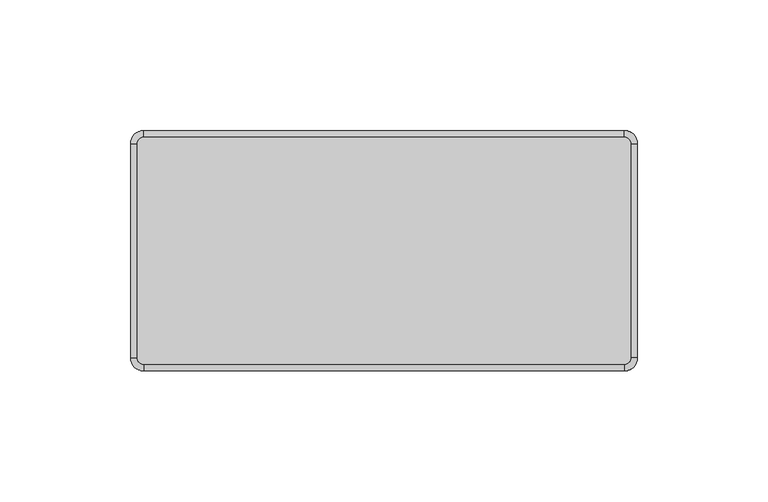
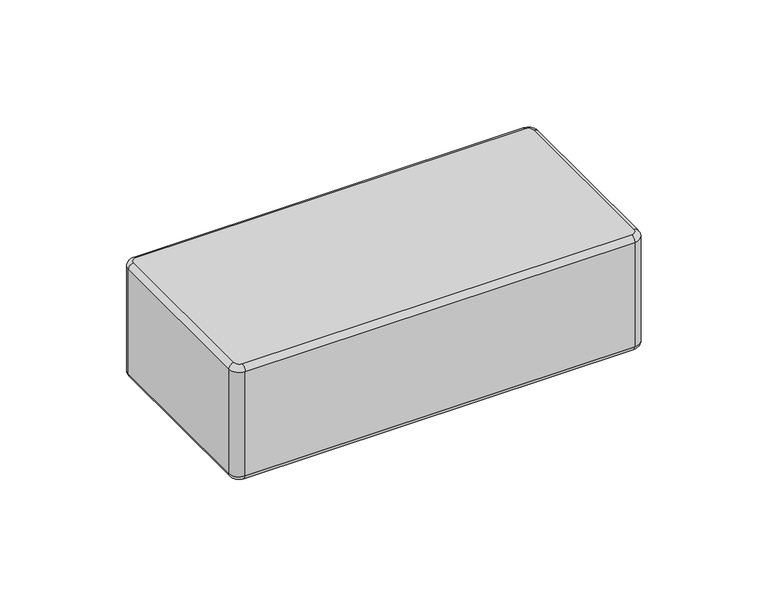
"""IFC4 building model written with IfcOpenShell, lengths in millimetres: plate geometry."""

from ifc_helpers import new_model, si_unit, point, frame, origin, place, context, project, spatial, circle_curve, ellipse_curve, trimmed, source, transform, mapped, element, save
from ifc_brep_helpers import plane_surface, cylinder_surface, revolved_surface, advanced_brep


def plate_8862c1e6(model_context):
    return source(origin(), model_context, "Body", "AdvancedBrep", [
        advanced_brep(
        [(141.49375, 41.0, 57.0), (138.99375, 43.5, 57.0), (-45.00625, 43.5, 57.0), (-47.50625, 41.0, 57.0), (-47.50625, -41.0, 57.0), (-45.00625, -43.5, 57.0), (138.99375, -43.5, 57.0), (141.49375, -41.0, 57.0), (-47.50625, 41.0, 0.0), (-45.00625, 43.5, 0.0), (138.99375, 43.5, 0.0), (141.49375, 41.0, 0.0), (141.49375, -41.0, 0.0), (138.99375, -43.5, 0.0), (-45.00625, -43.5, 0.0), (-47.50625, -41.0, 0.0), (-45.00625, -46.0, 2.5), (138.99375, -46.0, 2.5), (138.99375, -46.0, 54.5), (-45.00625, -46.0, 54.5), (143.99375, -41.0, 2.5), (143.99375, 41.0, 2.5), (143.99375, 41.0, 54.5000019), (143.99375, -41.0, 54.5), (138.99375, 46.0, 2.5), (-45.00625, 46.0, 2.5), (-45.00625, 46.0, 54.5), (138.99375, 46.0, 54.5), (-50.00625, 41.0, 2.5), (-50.00625, -41.0, 2.5), (-50.00625, -41.0, 54.5), (-50.00625, 41.0, 54.5)],
        [
            (0, 1, circle_curve(frame((138.99375, 41.0, 57.0), z_axis=(0.0, 0.0, 1.0), x_axis=(1.0, 0.0, 0.0)), 2.5)),
            (1, 2),
            (2, 3, circle_curve(frame((-45.00625, 41.0, 57.0), z_axis=(0.0, 0.0, 1.0), x_axis=(0.0, 1.0, 0.0)), 2.5)),
            (3, 4),
            (4, 5, circle_curve(frame((-45.00625, -41.0, 57.0), z_axis=(0.0, 0.0, 1.0), x_axis=(-1.0, 0.0, 0.0)), 2.5)),
            (5, 6),
            (6, 7, circle_curve(frame((138.99375, -41.0, 57.0), z_axis=(0.0, 0.0, 1.0), x_axis=(0.0, -1.0, 0.0)), 2.5)),
            (7, 0),
            (8, 9, circle_curve(frame((-45.00625, 41.0, 0.0), z_axis=(0.0, 0.0, -1.0), x_axis=(-1.0, 0.0, 0.0)), 2.5)),
            (9, 10),
            (10, 11, circle_curve(frame((138.99375, 41.0, 0.0), z_axis=(0.0, 0.0, -1.0), x_axis=(0.0, 1.0, 0.0)), 2.5)),
            (11, 12),
            (12, 13, circle_curve(frame((138.99375, -41.0, 0.0), z_axis=(0.0, 0.0, -1.0), x_axis=(1.0, 0.0, 0.0)), 2.5)),
            (13, 14),
            (14, 15, circle_curve(frame((-45.00625, -41.0, 0.0), z_axis=(0.0, 0.0, -1.0), x_axis=(0.0, -1.0, 0.0)), 2.5)),
            (15, 8),
            (16, 17),
            (17, 18),
            (18, 19),
            (19, 16),
            (20, 21),
            (21, 22),
            (22, 23),
            (23, 20),
            (24, 25),
            (25, 26),
            (26, 27),
            (27, 24),
            (28, 29),
            (29, 30),
            (30, 31),
            (31, 28),
            (29, 16, circle_curve(frame((-45.00625, -41.0, 2.5), z_axis=(0.0, 0.0, 1.0), x_axis=(1.0, 0.0, 0.0)), 5.0)),
            (19, 30, circle_curve(frame((-45.00625, -41.0, 54.5), z_axis=(0.0, 0.0, -1.0), x_axis=(1.0, 0.0, 0.0)), 5.0)),
            (17, 20, circle_curve(frame((138.99375, -41.0, 2.5), z_axis=(0.0, 0.0, 1.0), x_axis=(1.0, 0.0, 0.0)), 5.0)),
            (23, 18, circle_curve(frame((138.99375, -41.0, 54.5), z_axis=(0.0, 0.0, -1.0), x_axis=(1.0, 0.0, 0.0)), 5.0)),
            (21, 24, circle_curve(frame((138.99375, 41.0, 2.5), z_axis=(0.0, 0.0, 1.0), x_axis=(1.0, 0.0, 0.0)), 5.0)),
            (27, 22, circle_curve(frame((138.99375, 41.0, 54.5), z_axis=(0.0, 0.0, -1.0), x_axis=(1.0, 0.0, 0.0)), 5.0)),
            (25, 28, circle_curve(frame((-45.00625, 41.0, 2.5), z_axis=(0.0, 0.0, 1.0), x_axis=(1.0, 0.0, 0.0)), 5.0)),
            (31, 26, circle_curve(frame((-45.00625, 41.0, 54.5), z_axis=(0.0, 0.0, -1.0), x_axis=(1.0, 0.0, 0.0)), 5.0)),
            (25, 9, circle_curve(frame((-45.00625, 43.5, 2.5), z_axis=(-1.0, 0.0, 0.0), x_axis=(0.0, -1.0, 0.0)), 2.5)),
            (8, 28, circle_curve(frame((-47.50625, 41.0, 2.5), z_axis=(0.0, 1.0, 0.0), x_axis=(1.0, 0.0, 0.0)), 2.5)),
            (24, 10, circle_curve(frame((138.99375, 43.5, 2.5), z_axis=(-1.0, 0.0, 0.0), x_axis=(0.0, -1.0, 0.0)), 2.5)),
            (21, 11, circle_curve(frame((141.49375, 41.0, 2.5), z_axis=(0.0, 1.0, 0.0), x_axis=(-1.0, 0.0, 0.0)), 2.5)),
            (20, 12, circle_curve(frame((141.49375, -41.0, 2.5), z_axis=(0.0, 1.0, 0.0), x_axis=(-1.0, 0.0, 0.0)), 2.5)),
            (17, 13, circle_curve(frame((138.99375, -43.5, 2.5), z_axis=(1.0, 0.0, 0.0), x_axis=(0.0, 1.0, 0.0)), 2.5)),
            (16, 14, circle_curve(frame((-45.00625, -43.5, 2.5), z_axis=(1.0, 0.0, 0.0), x_axis=(0.0, 1.0, 0.0)), 2.5)),
            (29, 15, circle_curve(frame((-47.50625, -41.0, 2.5), z_axis=(0.0, -1.0, 0.0), x_axis=(1.0, 0.0, 0.0)), 2.5)),
            (27, 1, circle_curve(frame((138.99375, 43.5, 54.5), z_axis=(1.0, 0.0, 0.0), x_axis=(0.0, -1.0, 0.0)), 2.5)),
            (0, 22, circle_curve(frame((141.49375, 41.0, 54.5), z_axis=(0.0, 1.0, 0.0), x_axis=(-1.0, 0.0, 0.0)), 2.5)),
            (26, 2, circle_curve(frame((-45.00625, 43.5, 54.5), z_axis=(1.0, 0.0, 0.0), x_axis=(0.0, -1.0, 0.0)), 2.5)),
            (31, 3, circle_curve(frame((-47.50625, 41.0, 54.5), z_axis=(0.0, 1.0, 0.0), x_axis=(1.0, 0.0, 0.0)), 2.5)),
            (30, 4, circle_curve(frame((-47.50625, -41.0, 54.5), z_axis=(0.0, 1.0, 0.0), x_axis=(1.0, 0.0, 0.0)), 2.5)),
            (19, 5, circle_curve(frame((-45.00625, -43.5, 54.5), z_axis=(-1.0, 0.0, 0.0), x_axis=(0.0, 1.0, 0.0)), 2.5)),
            (18, 6, circle_curve(frame((138.99375, -43.5, 54.5), z_axis=(-1.0, 0.0, 0.0), x_axis=(0.0, 1.0, 0.0)), 2.5)),
            (23, 7, circle_curve(frame((141.49375, -41.0, 54.5), z_axis=(0.0, -1.0, 0.0), x_axis=(-1.0, 0.0, 0.0)), 2.5)),
        ],
        [
            plane_surface(frame((-40.00625, -41.0, 57.0), z_axis=(0.0, 0.0, 1.0), x_axis=(0.0, 1.0, 0.0))),
            plane_surface(frame((-40.00625, -41.0, 0.0), z_axis=(0.0, 0.0, -1.0), x_axis=(0.0, -1.0, 0.0))),
            plane_surface(frame((-45.00625, -46.0, 57.0), z_axis=(0.0, -1.0, 0.0), x_axis=(0.0, 0.0, -1.0))),
            plane_surface(frame((143.99375, -41.0, 57.0), z_axis=(1.0, 0.0, 0.0), x_axis=(0.0, 0.0, -1.0))),
            plane_surface(frame((138.99375, 46.0, 57.0), z_axis=(0.0, 1.0, 0.0), x_axis=(0.0, 0.0, -1.0))),
            plane_surface(frame((-50.00625, 41.0, 57.0), z_axis=(-1.0, 0.0, 0.0), x_axis=(0.0, 0.0, -1.0))),
            cylinder_surface(frame((-45.00625, -41.0, 0.0), z_axis=(0.0, 0.0, 1.0), x_axis=(1.0, 0.0, 0.0)), 5.0),
            cylinder_surface(frame((138.99375, -41.0, 0.0), z_axis=(0.0, 0.0, 1.0), x_axis=(1.0, 0.0, 0.0)), 5.0),
            cylinder_surface(frame((138.99375, 41.0, 0.0), z_axis=(0.0, 0.0, 1.0), x_axis=(1.0, 0.0, 0.0)), 5.0),
            cylinder_surface(frame((-45.00625, 41.0, 0.0), z_axis=(0.0, 0.0, 1.0), x_axis=(1.0, 0.0, 0.0)), 5.0),
            revolved_surface(trimmed(ellipse_curve(frame((-47.50625, 41.0, 2.5), z_axis=(0.0, -1.0, 0.0), x_axis=(1.0, 0.0, 0.0)), 2.5, 2.5), [point((-50.00625, 41.0, 2.5))], [point((-47.50625, 41.0, 0.0))], True, "CARTESIAN"), (-45.00625, 41.0, 0.0), (0.0, 0.0, -1.0)),
            cylinder_surface(frame((-45.00625, 43.5, 2.5), z_axis=(1.0, 0.0, 0.0), x_axis=(0.0, -1.0, 0.0)), 2.5),
            revolved_surface(trimmed(ellipse_curve(frame((138.99375, 43.5, 2.5), z_axis=(-1.0, 0.0, 0.0), x_axis=(0.0, -1.0, 0.0)), 2.5, 2.5), [point((138.99375, 46.0, 2.5))], [point((138.99375, 43.5, 0.0))], True, "CARTESIAN"), (138.99375, 41.0, 0.0), (0.0, 0.0, -1.0)),
            cylinder_surface(frame((141.49375, 41.0, 2.5), z_axis=(0.0, -1.0, 0.0), x_axis=(-1.0, 0.0, 0.0)), 2.5),
            revolved_surface(trimmed(ellipse_curve(frame((141.49375, -41.0, 2.5), z_axis=(0.0, 1.0, 0.0), x_axis=(-1.0, 0.0, 0.0)), 2.5, 2.5), [point((143.99375, -41.0, 2.5))], [point((141.49375, -41.0, 0.0))], True, "CARTESIAN"), (138.99375, -41.0, 0.0), (0.0, 0.0, -1.0)),
            cylinder_surface(frame((138.99375, -43.5, 2.5), z_axis=(-1.0, 0.0, 0.0), x_axis=(0.0, 1.0, 0.0)), 2.5),
            revolved_surface(trimmed(ellipse_curve(frame((-45.00625, -43.5, 2.5), z_axis=(1.0, 0.0, 0.0), x_axis=(0.0, 1.0, 0.0)), 2.5, 2.5), [point((-45.00625, -46.0, 2.5))], [point((-45.00625, -43.5, 0.0))], True, "CARTESIAN"), (-45.00625, -41.0, 0.0), (0.0, 0.0, -1.0)),
            cylinder_surface(frame((-47.50625, -41.0, 2.5), z_axis=(0.0, 1.0, 0.0), x_axis=(1.0, 0.0, 0.0)), 2.5),
            revolved_surface(trimmed(ellipse_curve(frame((141.49375, 41.0, 54.5), z_axis=(0.0, -1.0, 0.0), x_axis=(-1.0, 0.0, 0.0)), 2.5, 2.5), [point((143.99375, 41.0, 54.5))], [point((141.49375, 41.0, 57.0))], True, "CARTESIAN"), (138.99375, 41.0, 57.0), (0.0, 0.0, 1.0)),
            cylinder_surface(frame((138.99375, 43.5, 54.5), z_axis=(-1.0, 0.0, 0.0), x_axis=(0.0, -1.0, 0.0)), 2.5),
            revolved_surface(trimmed(ellipse_curve(frame((-45.00625, 43.5, 54.5), z_axis=(1.0, 0.0, 0.0), x_axis=(0.0, -1.0, 0.0)), 2.5, 2.5), [point((-45.00625, 46.0, 54.5))], [point((-45.00625, 43.5, 57.0))], True, "CARTESIAN"), (-45.00625, 41.0, 57.0), (0.0, 0.0, 1.0)),
            cylinder_surface(frame((-47.50625, 41.0, 54.5), z_axis=(0.0, -1.0, 0.0), x_axis=(1.0, 0.0, 0.0)), 2.5),
            revolved_surface(trimmed(ellipse_curve(frame((-47.50625, -41.0, 54.5), z_axis=(0.0, 1.0, 0.0), x_axis=(1.0, 0.0, 0.0)), 2.5, 2.5), [point((-50.00625, -41.0, 54.5))], [point((-47.50625, -41.0, 57.0))], True, "CARTESIAN"), (-45.00625, -41.0, 57.0), (0.0, 0.0, 1.0)),
            cylinder_surface(frame((-45.00625, -43.5, 54.5), z_axis=(1.0, 0.0, 0.0), x_axis=(0.0, 1.0, 0.0)), 2.5),
            revolved_surface(trimmed(ellipse_curve(frame((138.99375, -43.5, 54.5), z_axis=(-1.0, 0.0, 0.0), x_axis=(0.0, 1.0, 0.0)), 2.5, 2.5), [point((138.99375, -46.0, 54.5))], [point((138.99375, -43.5, 57.0))], True, "CARTESIAN"), (138.99375, -41.0, 57.0), (0.0, 0.0, 1.0)),
            cylinder_surface(frame((141.49375, -41.0, 54.5), z_axis=(0.0, 1.0, 0.0), x_axis=(-1.0, 0.0, 0.0)), 2.5),
        ],
        [
            (0, [[1, 2, 3, 4, 5, 6, 7, 8]]),
            (1, [[9, 10, 11, 12, 13, 14, 15, 16]]),
            (2, [[17, 18, 19, 20]]),
            (3, [[21, 22, 23, 24]]),
            (4, [[25, 26, 27, 28]]),
            (5, [[29, 30, 31, 32]]),
            (6, [[33, -20, 34, -30]]),
            (7, [[35, -24, 36, -18]]),
            (8, [[37, -28, 38, -22]]),
            (9, [[39, -32, 40, -26]]),
            (10, [[41, -9, 42, -39]]),
            (11, [[-41, -25, 43, -10]]),
            (12, [[-43, -37, 44, -11]]),
            (13, [[-44, -21, 45, -12]]),
            (14, [[-45, -35, 46, -13]]),
            (15, [[-46, -17, 47, -14]]),
            (16, [[-47, -33, 48, -15]]),
            (17, [[-42, -16, -48, -29]]),
            (18, [[49, -1, 50, -38]]),
            (19, [[-49, -27, 51, -2]]),
            (20, [[-51, -40, 52, -3]]),
            (21, [[-52, -31, 53, -4]]),
            (22, [[-53, -34, 54, -5]]),
            (23, [[-54, -19, 55, -6]]),
            (24, [[-55, -36, 56, -7]]),
            (25, [[-50, -8, -56, -23]]),
        ],
    ),
    ])


if __name__ == "__main__":
    model = new_model("IFC4")
    model_context = context("Model", 3, world=origin())
    ifc_project = project(units=[si_unit("LENGTHUNIT", "METRE", prefix="MILLI")], contexts=[model_context])
    site = spatial("IfcSite", under=ifc_project)
    building = spatial("IfcBuilding", under=site)
    placement = place(None, origin())
    plate_shape = plate_8862c1e6(model_context)
    element("IfcPlate", 1, at=placement, inside=building, context=model_context, shape_type="MappedRepresentation", body=[
        mapped(plate_shape, transform((0.0, 0.0, 0.0), x_axis=(1.0, 0.0, 0.0), y_axis=(0.0, 1.0, 0.0), z_axis=(0.0, 0.0, 1.0))),
    ])
    save(model, "model.ifc")
